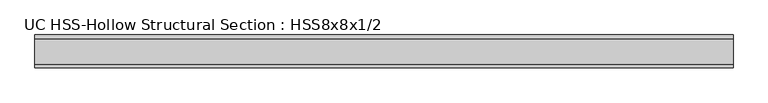
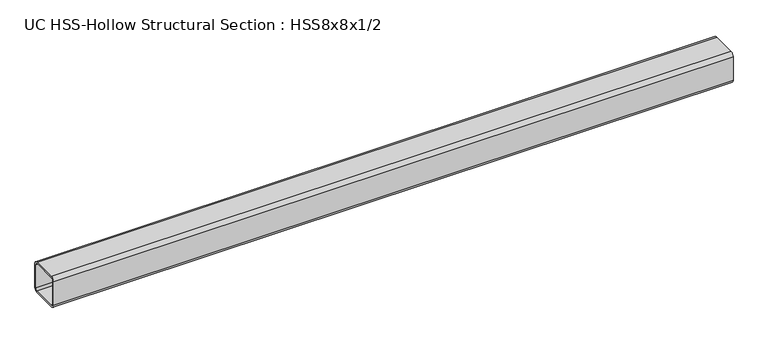
"""IFC4 building model written with IfcOpenShell, lengths in millimetres: member geometry, UC HSS-Hollow Structural Section : HSS8x8x1/2."""

from ifc_helpers import new_model, si_unit, point, frame, frame_2d, origin, place, context, project, spatial, polyline, circle_curve, trimmed, segment, composite_curve, outline, extrude, source, transform, mapped, element, save


def uc_hss_hollow_structural_section_hss8x8x1_2_1fd1ea4e(model_context):
    return source(origin(), model_context, "Body", "SweptSolid", [
        extrude(outline(composite_curve([segment(polyline([(101.6, 77.978), (101.6, -77.978)]), True, "CONTINUOUS"), segment(trimmed(circle_curve(frame_2d((77.978, -77.978)), 23.622), [point((101.6, -77.978))], [point((77.978, -101.6))], False, "CARTESIAN"), True, "CONTINUOUS"), segment(polyline([(77.978, -101.6), (-77.978, -101.6)]), True, "CONTINUOUS"), segment(trimmed(circle_curve(frame_2d((-77.978, -77.978)), 23.622), [point((-77.978, -101.6))], [point((-101.6, -77.978))], False, "CARTESIAN"), True, "CONTINUOUS"), segment(polyline([(-101.6, -77.978), (-101.6, 77.978)]), True, "CONTINUOUS"), segment(trimmed(circle_curve(frame_2d((-77.978, 77.978)), 23.622), [point((-101.6, 77.978))], [point((-77.978, 101.6))], False, "CARTESIAN"), True, "CONTINUOUS"), segment(polyline([(-77.978, 101.6), (77.978, 101.6)]), True, "CONTINUOUS"), segment(trimmed(circle_curve(frame_2d((77.978, 77.978)), 23.622), [point((77.978, 101.6))], [point((101.6, 77.978))], False, "CARTESIAN"), True, "CONTINUOUS")], self_intersect=False), holes=[composite_curve([segment(trimmed(circle_curve(frame_2d((-77.978, 77.978)), 11.811), [point((-77.978, 89.789))], [point((-89.789, 77.978))], True, "CARTESIAN"), True, "CONTINUOUS"), segment(polyline([(-89.789, 77.978), (-89.789, -77.978)]), True, "CONTINUOUS"), segment(trimmed(circle_curve(frame_2d((-77.978, -77.978)), 11.811), [point((-89.789, -77.978))], [point((-77.978, -89.789))], True, "CARTESIAN"), True, "CONTINUOUS"), segment(polyline([(-77.978, -89.789), (77.978, -89.789)]), True, "CONTINUOUS"), segment(trimmed(circle_curve(frame_2d((77.978, -77.978)), 11.811), [point((77.978, -89.789))], [point((89.789, -77.978))], True, "CARTESIAN"), True, "CONTINUOUS"), segment(polyline([(89.789, -77.978), (89.789, 77.978)]), True, "CONTINUOUS"), segment(trimmed(circle_curve(frame_2d((77.978, 77.978)), 11.811), [point((89.789, 77.978))], [point((77.978, 89.789))], True, "CARTESIAN"), True, "CONTINUOUS"), segment(polyline([(77.978, 89.789), (-77.978, 89.789)]), True, "CONTINUOUS")], self_intersect=False)]), frame((-2000.6672838, 0.0, 0.0), z_axis=(1.0, 0.0, 0.0), x_axis=(0.0, 1.0, 0.0)), (0.0, 0.0, 1.0), 4293.9784436),
    ])


if __name__ == "__main__":
    model = new_model("IFC4")
    model_context = context("Model", 3, world=origin())
    ifc_project = project(units=[si_unit("LENGTHUNIT", "METRE", prefix="MILLI")], contexts=[model_context])
    site = spatial("IfcSite", under=ifc_project)
    building = spatial("IfcBuilding", under=site)
    placement = place(None, origin())
    uc_hss_hollow_structural_section_hss8x8x1_2_shape = uc_hss_hollow_structural_section_hss8x8x1_2_1fd1ea4e(model_context)
    element("IfcMember", 1, ObjectType="UC HSS-Hollow Structural Section : HSS8x8x1/2", at=placement, inside=building, context=model_context, shape_type="MappedRepresentation", body=[
        mapped(uc_hss_hollow_structural_section_hss8x8x1_2_shape, transform((0.0, 0.0, 0.0), x_axis=(1.0, 0.0, 0.0), y_axis=(0.0, 1.0, 0.0), z_axis=(0.0, 0.0, 1.0))),
    ])
    save(model, "model.ifc")
